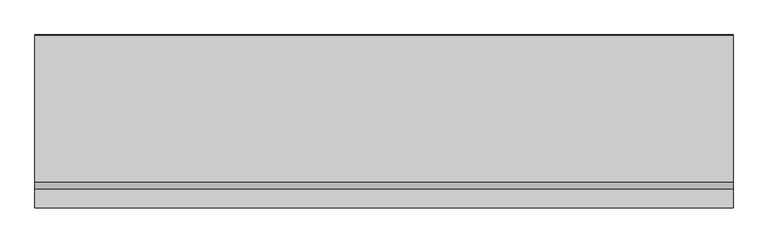
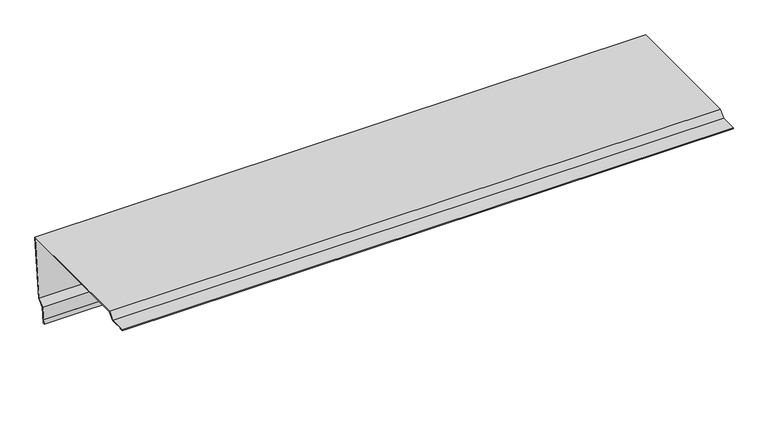
"""IFC4 building model written with IfcOpenShell, lengths in millimetres: proxy geometry."""

from ifc_helpers import new_model, si_unit, origin, place, context, project, spatial, faceted_brep, source, transform, mapped, element, save


def generic_models_d27f8cea(model_context):
    return source(origin(), model_context, "Body", "Brep", [
        faceted_brep([(0.0, 226.0317771, -182.3256459), (0.0, 230.2129156, -142.5447701), (1500.0, 230.2129156, -142.5447701), (1500.0, 226.0317771, -182.3256459), (0.0, 246.5329808, -129.3290419), (1500.0, 246.5329808, -129.3290419), (0.0, 260.1260109, 0.0), (0.0, 262.2122503, 19.8492424), (1500.0, 262.2122503, 19.8492424), (1500.0, 260.1260109, 0.0), (0.0, 259.1205026, 0.0), (0.0, 261.1016378, 18.8492424), (0.0, -54.736544, 18.8492424), (0.0, -69.5857864, 4.0), (0.0, -109.0, 4.0), (0.0, -109.0, 3.0), (0.0, -100.0, 3.0), (0.0, -100.0, 2.0), (0.0, -110.0, 2.0), (0.0, -110.0, 5.0), (0.0, -70.0, 5.0), (0.0, -55.1507576, 19.8492424), (0.0, 223.0482114, -182.0120605), (0.0, 224.084351, -172.153851), (0.0, 225.0788729, -172.2583794), (0.0, 224.1472618, -181.1220671), (0.0, 225.1417837, -181.2265956), (0.0, 229.2616908, -142.0282972), (0.0, 245.581756, -128.812569), (1500.0, 259.1205026, 0.0), (1500.0, -55.1507576, 19.8492424), (1500.0, -70.0, 5.0), (1500.0, -110.0, 5.0), (1500.0, -110.0, 2.0), (1500.0, -100.0, 2.0), (1500.0, -100.0, 3.0), (1500.0, -109.0, 3.0), (1500.0, -109.0, 4.0), (1500.0, -69.5857864, 4.0), (1500.0, -54.736544, 18.8492424), (1500.0, 261.1016378, 18.8492424), (1500.0, 223.0482114, -182.0120605), (1500.0, 224.084351, -172.153851), (1500.0, 225.0788729, -172.2583794), (1500.0, 245.581756, -128.812569), (1500.0, 229.2616908, -142.0282972), (1500.0, 225.1417837, -181.2265956), (1500.0, 224.1472618, -181.1220671)], [[[0, 1, 2, 3]], [[1, 4, 5, 2]], [[6, 7, 8, 9, 5, 4]], [[6, 10, 11, 12, 13, 14, 15, 16, 17, 18, 19, 20, 21, 7]], [[10, 6, 4, 1, 0, 22, 23, 24, 25, 26, 27, 28]], [[29, 9, 8, 30, 31, 32, 33, 34, 35, 36, 37, 38, 39, 40]], [[23, 22, 41, 42]], [[16, 15, 36, 35]], [[24, 23, 42, 43]], [[12, 11, 40, 39]], [[11, 10, 28, 44, 29, 40]], [[28, 27, 45, 44]], [[27, 26, 46, 45]], [[26, 25, 47, 46]], [[25, 24, 43, 47]], [[17, 16, 35, 34]], [[13, 12, 39, 38]], [[14, 13, 38, 37]], [[15, 14, 37, 36]], [[22, 0, 3, 41]], [[18, 17, 34, 33]], [[19, 18, 33, 32]], [[20, 19, 32, 31]], [[21, 20, 31, 30]], [[7, 21, 30, 8]], [[9, 29, 44, 45, 46, 47, 43, 42, 41, 3, 2, 5]]]),
    ])


if __name__ == "__main__":
    model = new_model("IFC4")
    model_context = context("Model", 3, world=origin())
    ifc_project = project(units=[si_unit("LENGTHUNIT", "METRE", prefix="MILLI")], contexts=[model_context])
    site = spatial("IfcSite", under=ifc_project)
    building = spatial("IfcBuilding", under=site)
    placement = place(None, origin())
    generic_models_shape = generic_models_d27f8cea(model_context)
    element("IfcBuildingElementProxy", 1, Name="Generic Models", at=placement, inside=building, context=model_context, shape_type="MappedRepresentation", body=[
        mapped(generic_models_shape, transform((0.0, 0.0, 0.0), x_axis=(1.0, 0.0, 0.0), y_axis=(0.0, 1.0, 0.0), z_axis=(0.0, 0.0, 1.0))),
    ])
    save(model, "model.ifc")
